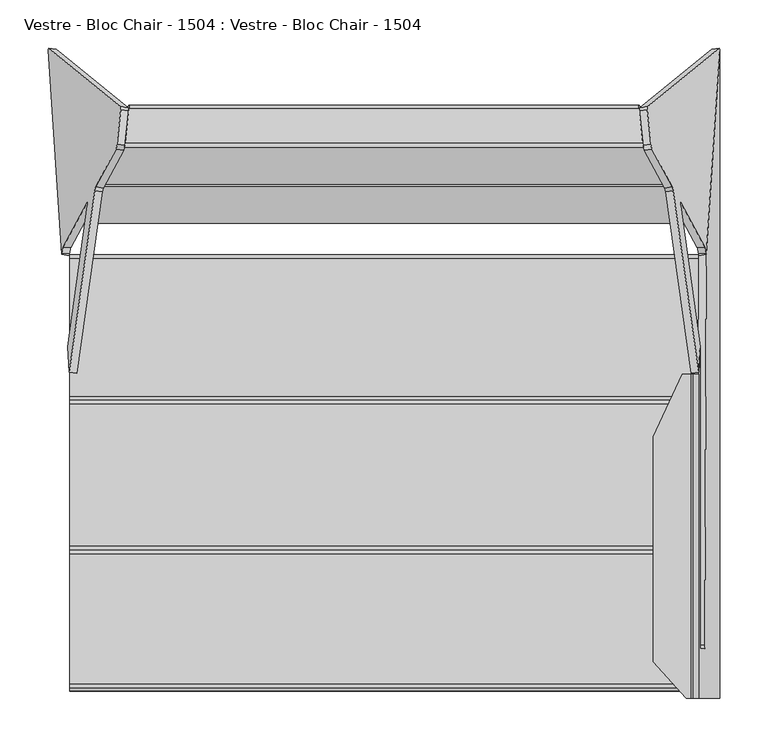
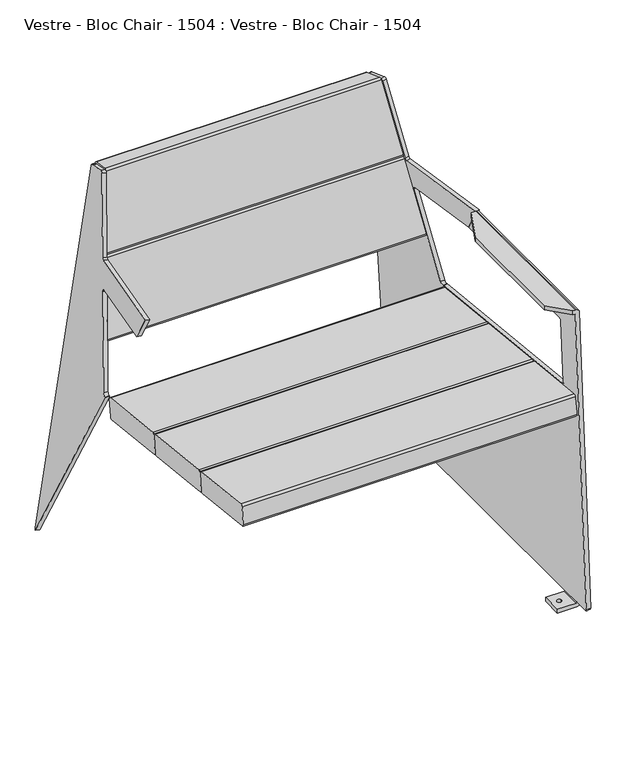
"""IFC4 building model written with IfcOpenShell, lengths in millimetres: furniture geometry, Vestre - Bloc Chair - 1504 : Vestre - Bloc Chair - 1504."""

from ifc_helpers import new_model, si_unit, point, frame, frame_2d, origin, place, context, project, spatial, polyline, circle_curve, ellipse_curve, trimmed, segment, composite_curve, outline, extrude, source, transform, mapped, element, save
from ifc_brep_helpers import plane_surface, cylinder_surface, revolved_surface, advanced_brep


def vestre_bloc_chair_1504_vestre_bloc_chair_1504_da6059d1(model_context):
    return source(origin(), model_context, "Body", "SolidModel", [
        advanced_brep(
        [(-306.9366879, 200.049211, 489.3411004), (-307.9329574, 195.1325032, 486.5435624), (-311.8675706, 159.4543876, 496.3447884), (-311.722039, 156.6568701, 501.2614604), (-291.1697723, 194.8012094, 640.1172239), (-290.1735027, 199.7179173, 642.9147616), (-286.2388907, 235.3960246, 633.1135359), (-286.3844223, 238.193542, 628.1968641), (306.9366879, 200.049211, 489.3411004), (307.9329574, 195.1325032, 486.5435624), (286.3844223, 238.193542, 628.1968641), (286.2388907, 235.3960246, 633.1135359), (290.1735027, 199.7179173, 642.9147616), (291.1697723, 194.8012094, 640.1172239), (311.722039, 156.6568701, 501.2614604), (311.8675706, 159.4543876, 496.3447884)],
        [
            (0, 1, ellipse_curve(frame((-307.3620568, 196.1920983, 490.4006673), z_axis=(-0.9845272064646965, 0.13817840671662396, 0.10776320173452691), x_axis=(0.1752317885853498, 0.7763454442639482, 0.6054598016712524)), 4.0628639, 4.0)),
            (1, 2),
            (2, 3, ellipse_curve(frame((-311.29667, 160.5139827, 500.2018933), z_axis=(-0.9845272064646965, 0.13817840671662396, 0.10776320173452691), x_axis=(0.1752317885853498, 0.7763454442639482, 0.6054598016712524)), 4.0628639, 4.0)),
            (3, 4),
            (4, 5, ellipse_curve(frame((-290.7444033, 198.658322, 639.0576568), z_axis=(-0.9845272064646965, 0.13817840671662396, 0.10776320173452691), x_axis=(0.1752317885853498, 0.7763454442639482, 0.6054598016712524)), 4.0628639, 4.0)),
            (5, 6),
            (6, 7, ellipse_curve(frame((-286.8097913, 234.3364293, 629.2564311), z_axis=(-0.9845272064646965, 0.13817840671662396, 0.10776320173452691), x_axis=(0.1752317885853498, 0.7763454442639482, 0.6054598016712524)), 4.0628639, 4.0)),
            (7, 0),
            (0, 8),
            (8, 9, ellipse_curve(frame((307.3620568, 196.1920983, 490.4006673), z_axis=(-0.9845272064646964, -0.13817840671662365, -0.10776320173452711), x_axis=(0.17523178858535113, -0.7763454442639469, -0.6054598016712536)), 4.0628639, 4.0)),
            (9, 1),
            (7, 10),
            (10, 8),
            (6, 11),
            (11, 10, ellipse_curve(frame((286.8097913, 234.3364293, 629.2564311), z_axis=(-0.9845272064646964, -0.13817840671662365, -0.10776320173452711), x_axis=(0.17523178858535113, -0.7763454442639469, -0.6054598016712536)), 4.0628639, 4.0)),
            (5, 12),
            (12, 11),
            (4, 13),
            (13, 12, ellipse_curve(frame((290.7444033, 198.658322, 639.0576568), z_axis=(-0.9845272064646964, -0.13817840671662365, -0.10776320173452711), x_axis=(0.17523178858535113, -0.7763454442639469, -0.6054598016712536)), 4.0628639, 4.0)),
            (3, 14),
            (14, 13),
            (2, 15),
            (15, 14, ellipse_curve(frame((311.29667, 160.5139827, 500.2018933), z_axis=(-0.9845272064646964, -0.13817840671662365, -0.10776320173452711), x_axis=(0.17523178858535113, -0.7763454442639469, -0.6054598016712536)), 4.0628639, 4.0)),
            (9, 15),
        ],
        [
            plane_surface(frame((-260.8051244, 291.5069546, 793.5292969), z_axis=(-0.9845272064646965, 0.13817840671662396, 0.10776320173452691), x_axis=(-0.10213209083076666, -0.9522059736125505, 0.2878763968079196))),
            cylinder_surface(frame((-316.3937747, 196.1920983, 490.4006673), z_axis=(1.0, 0.0, 0.0), x_axis=(0.0, -1.0, 0.0)), 4.0),
            plane_surface(frame((315.586121, 200.049211, 489.3411004), z_axis=(0.0, 0.9642781573688651, -0.26489174245586883), x_axis=(-1.0, 0.0, 0.0))),
            cylinder_surface(frame((-316.3937747, 234.3364293, 629.2564311), z_axis=(1.0, 0.0, 0.0), x_axis=(0.0, -1.0, 0.0)), 4.0),
            plane_surface(frame((315.586121, 235.3960246, 633.1135359), z_axis=(0.0, 0.264898826550004, 0.9642762113069216), x_axis=(-1.0, 0.0, 0.0))),
            cylinder_surface(frame((-316.3937747, 198.658322, 639.0576568), z_axis=(1.0, 0.0, 0.0), x_axis=(0.0, -1.0, 0.0)), 4.0),
            plane_surface(frame((315.586121, 194.8012094, 640.1172239), z_axis=(0.0, -0.9642781425237719, 0.26489179649604944), x_axis=(-1.0, 0.0, 0.0))),
            cylinder_surface(frame((-316.3937747, 160.5139827, 500.2018933), z_axis=(1.0, 0.0, 0.0), x_axis=(0.0, -1.0, 0.0)), 4.0),
            plane_surface(frame((315.586121, 159.4543876, 496.3447884), z_axis=(0.0, -0.2648987750760449, -0.9642762254474654), x_axis=(-1.0, 0.0, 0.0))),
            plane_surface(frame((307.4464437, 210.0577619, 471.8505833), z_axis=(0.9845272064646966, 0.13817840671662368, 0.10776320173452714), x_axis=(0.10213209083076619, -0.9522059736125503, 0.28787639680792065))),
        ],
        [
            (0, [[1, 2, 3, 4, 5, 6, 7, 8]]),
            (1, [[-1, 9, 10, 11]]),
            (2, [[-8, 12, 13, -9]]),
            (3, [[-7, 14, 15, -12]]),
            (4, [[-6, 16, 17, -14]]),
            (5, [[-5, 18, 19, -16]]),
            (6, [[-4, 20, 21, -18]]),
            (7, [[-3, 22, 23, -20]]),
            (8, [[-2, -11, 24, -22]]),
            (9, [[-10, -13, -15, -17, -19, -21, -23, -24]]),
        ],
    ),
        advanced_brep(
        [(-285.2426333, 240.3126213, 635.9111054), (-286.2389029, 235.3959136, 633.1135675), (-290.1735161, 199.7177976, 642.9147935), (-290.0279845, 196.9202802, 647.8314655), (-269.4757178, 235.0646195, 786.687229), (-268.4794482, 239.9813274, 789.4847667), (-264.5448362, 275.659435, 779.6835409), (-264.6903678, 278.4569523, 774.7668691), (285.2426333, 240.3126213, 635.9111054), (286.2389029, 235.3959136, 633.1135675), (264.6903678, 278.4569523, 774.7668691), (264.5448362, 275.659435, 779.6835409), (268.4794482, 239.9813274, 789.4847667), (269.4757178, 235.0646195, 786.687229), (290.0279845, 196.9202802, 647.8314655), (290.1735161, 199.7177976, 642.9147935)],
        [
            (0, 1, ellipse_curve(frame((-285.6680023, 236.4555087, 636.9706724), z_axis=(-0.9845272064646965, 0.13817840671662396, 0.10776320173452691), x_axis=(0.1752317885853498, 0.7763454442639482, 0.6054598016712524)), 4.0628639, 4.0)),
            (1, 2),
            (2, 3, ellipse_curve(frame((-289.6026155, 200.7773927, 646.7718984), z_axis=(-0.9845272064646965, 0.13817840671662396, 0.10776320173452691), x_axis=(0.1752317885853498, 0.7763454442639482, 0.6054598016712524)), 4.0628639, 4.0)),
            (3, 4),
            (4, 5, ellipse_curve(frame((-269.0503488, 238.921732, 785.6276619), z_axis=(-0.9845272064646965, 0.13817840671662396, 0.10776320173452691), x_axis=(0.1752317885853498, 0.7763454442639482, 0.6054598016712524)), 4.0628639, 4.0)),
            (5, 6),
            (6, 7, ellipse_curve(frame((-265.1157368, 274.5998397, 775.8264361), z_axis=(-0.9845272064646965, 0.13817840671662396, 0.10776320173452691), x_axis=(0.1752317885853498, 0.7763454442639482, 0.6054598016712524)), 4.0628639, 4.0)),
            (7, 0),
            (0, 8),
            (8, 9, ellipse_curve(frame((285.6680023, 236.4555087, 636.9706724), z_axis=(-0.9845272064646964, -0.13817840671662365, -0.10776320173452711), x_axis=(0.17523178858535113, -0.7763454442639469, -0.6054598016712536)), 4.0628639, 4.0)),
            (9, 1),
            (7, 10),
            (10, 8),
            (6, 11),
            (11, 10, ellipse_curve(frame((265.1157368, 274.5998397, 775.8264361), z_axis=(-0.9845272064646964, -0.13817840671662365, -0.10776320173452711), x_axis=(0.17523178858535113, -0.7763454442639469, -0.6054598016712536)), 4.0628639, 4.0)),
            (5, 12),
            (12, 11),
            (4, 13),
            (13, 12, ellipse_curve(frame((269.0503488, 238.921732, 785.6276619), z_axis=(-0.9845272064646964, -0.13817840671662365, -0.10776320173452711), x_axis=(0.17523178858535113, -0.7763454442639469, -0.6054598016712536)), 4.0628639, 4.0)),
            (3, 14),
            (14, 13),
            (2, 15),
            (15, 14, ellipse_curve(frame((289.6026155, 200.7773927, 646.7718984), z_axis=(-0.9845272064646964, -0.13817840671662365, -0.10776320173452711), x_axis=(0.17523178858535113, -0.7763454442639469, -0.6054598016712536)), 4.0628639, 4.0)),
            (9, 15),
        ],
        [
            plane_surface(frame((-260.8051244, 291.5069546, 793.5292969), z_axis=(-0.9845272064646965, 0.13817840671662396, 0.10776320173452691), x_axis=(-0.10213209083076666, -0.9522059736125505, 0.2878763968079196))),
            cylinder_surface(frame((-292.5949679, 236.4555087, 636.9706724), z_axis=(1.0, 0.0, 0.0), x_axis=(0.0, -1.0, 0.0)), 4.0),
            plane_surface(frame((291.5493151, 240.3126213, 635.9111054), z_axis=(0.0, 0.9642781573688652, -0.2648917424558682), x_axis=(-1.0, 0.0, 0.0))),
            cylinder_surface(frame((-292.5949679, 274.5998397, 775.8264361), z_axis=(1.0, 0.0, 0.0), x_axis=(0.0, -1.0, 0.0)), 4.0),
            plane_surface(frame((291.5493151, 275.659435, 779.6835409), z_axis=(0.0, 0.2648988265500007, 0.9642762113069225), x_axis=(-1.0, 0.0, 0.0))),
            cylinder_surface(frame((-292.5949679, 238.921732, 785.6276619), z_axis=(1.0, 0.0, 0.0), x_axis=(0.0, -1.0, 0.0)), 4.0),
            plane_surface(frame((291.5493151, 235.0646195, 786.687229), z_axis=(0.0, -0.9642781425237718, 0.26489179649604994), x_axis=(-1.0, 0.0, 0.0))),
            cylinder_surface(frame((-292.5949679, 200.7773927, 646.7718984), z_axis=(1.0, 0.0, 0.0), x_axis=(0.0, -1.0, 0.0)), 4.0),
            plane_surface(frame((291.5493151, 199.7177976, 642.9147935), z_axis=(0.0, -0.2648987750760463, -0.9642762254474649), x_axis=(-1.0, 0.0, 0.0))),
            plane_surface(frame((307.4464437, 210.0577619, 471.8505833), z_axis=(0.9845272064646966, 0.13817840671662368, 0.10776320173452714), x_axis=(0.10213209083076619, -0.9522059736125503, 0.28787639680792065))),
        ],
        [
            (0, [[1, 2, 3, 4, 5, 6, 7, 8]]),
            (1, [[-1, 9, 10, 11]]),
            (2, [[-8, 12, 13, -9]]),
            (3, [[-7, 14, 15, -12]]),
            (4, [[-6, 16, 17, -14]]),
            (5, [[-5, 18, 19, -16]]),
            (6, [[-4, 20, 21, -18]]),
            (7, [[-3, 22, 23, -20]]),
            (8, [[-2, -11, 24, -22]]),
            (9, [[-10, -13, -15, -17, -19, -21, -23, -24]]),
        ],
    ),
        extrude(outline(composite_curve([segment(polyline([(123.9687357, 403.6916999), (120.1847471, 369.0041334)]), True, "CONTINUOUS"), segment(trimmed(circle_curve(frame_2d((116.2083371, 369.4379111)), 4.0), [point((120.1847471, 369.0041334))], [point((115.7745594, 365.461501))], False, "CARTESIAN"), True, "CONTINUOUS"), segment(polyline([(115.7745594, 365.461501), (-27.3758918, 381.0774616)]), True, "CONTINUOUS"), segment(trimmed(circle_curve(frame_2d((-26.9421142, 385.0538716)), 4.0), [point((-27.3758918, 381.0774616))], [point((-30.9185242, 385.4876492))], False, "CARTESIAN"), True, "CONTINUOUS"), segment(polyline([(-30.9185242, 385.4876492), (-27.1342879, 420.1774866)]), True, "CONTINUOUS"), segment(trimmed(circle_curve(frame_2d((-23.1578779, 419.743709)), 4.0), [point((-27.1342879, 420.1774866))], [point((-22.7240372, 423.7201121))], False, "CARTESIAN"), True, "CONTINUOUS"), segment(polyline([(-22.7240372, 423.7201121), (120.4261663, 408.1018807)]), True, "CONTINUOUS"), segment(trimmed(circle_curve(frame_2d((119.9923256, 404.1254775)), 4.0), [point((120.4261663, 408.1018807))], [point((123.9687357, 403.6916999))], False, "CARTESIAN"), True, "CONTINUOUS")], self_intersect=False)), frame((-326.1528365, 0.0, 0.0), z_axis=(1.0, 0.0, 0.0), x_axis=(0.0, 1.0, 0.0)), (0.0, 0.0, 1.0), 652.8821776),
        extrude(outline(composite_curve([segment(polyline([(-27.1342742, 420.1776127), (-30.9185168, 385.4877171)]), True, "CONTINUOUS"), segment(trimmed(circle_curve(frame_2d((-34.8949269, 385.9214947)), 4.0), [point((-30.9185168, 385.4877171))], [point((-35.3287045, 381.9450847))], False, "CARTESIAN"), True, "CONTINUOUS"), segment(polyline([(-35.3287045, 381.9450847), (-182.9521311, 398.048992)]), True, "CONTINUOUS"), segment(trimmed(circle_curve(frame_2d((-182.5183535, 402.0254021)), 4.0), [point((-182.9521311, 398.048992))], [point((-186.4947636, 402.4591797))], False, "CARTESIAN"), True, "CONTINUOUS"), segment(polyline([(-186.4947636, 402.4591797), (-182.7102654, 437.1514172)]), True, "CONTINUOUS"), segment(trimmed(circle_curve(frame_2d((-178.7338554, 436.7176396)), 4.0), [point((-182.7102654, 437.1514172))], [point((-178.3000147, 440.6940428))], False, "CARTESIAN"), True, "CONTINUOUS"), segment(polyline([(-178.3000147, 440.6940428), (-30.6768435, 424.5877936)]), True, "CONTINUOUS"), segment(trimmed(circle_curve(frame_2d((-31.1106842, 420.6113904)), 4.0), [point((-30.6768435, 424.5877936))], [point((-27.1342742, 420.1776127))], False, "CARTESIAN"), True, "CONTINUOUS")], self_intersect=False)), frame((-326.1528365, 0.0, 0.0), z_axis=(1.0, 0.0, 0.0), x_axis=(0.0, 1.0, 0.0)), (0.0, 0.0, 1.0), 652.8821776),
        extrude(outline(composite_curve([segment(polyline([(-182.7102517, 437.1515434), (-186.4947521, 402.4592847)]), True, "CONTINUOUS"), segment(trimmed(circle_curve(frame_2d((-190.4711622, 402.8930624)), 4.0), [point((-186.4947521, 402.4592847))], [point((-190.9049398, 398.9166523))], False, "CARTESIAN"), True, "CONTINUOUS"), segment(polyline([(-190.9049398, 398.9166523), (-325.6066275, 413.6109563)]), True, "CONTINUOUS"), segment(trimmed(circle_curve(frame_2d((-325.1728499, 417.5873663)), 4.0), [point((-325.6066275, 413.6109563))], [point((-329.1492599, 418.0211439))], False, "CARTESIAN"), True, "CONTINUOUS"), segment(polyline([(-329.1492599, 418.0211439), (-325.3645264, 452.7155395)]), True, "CONTINUOUS"), segment(trimmed(circle_curve(frame_2d((-321.3881163, 452.2817619)), 4.0), [point((-325.3645264, 452.7155395))], [point((-320.9542756, 456.2581651))], False, "CARTESIAN"), True, "CONTINUOUS"), segment(polyline([(-320.9542756, 456.2581651), (-186.252821, 441.5617242)]), True, "CONTINUOUS"), segment(trimmed(circle_curve(frame_2d((-186.6866617, 437.585321)), 4.0), [point((-186.252821, 441.5617242))], [point((-182.7102517, 437.1515434))], False, "CARTESIAN"), True, "CONTINUOUS")], self_intersect=False)), frame((-326.1528365, 0.0, 0.0), z_axis=(1.0, 0.0, 0.0), x_axis=(0.0, 1.0, 0.0)), (0.0, 0.0, 1.0), 652.8821776),
        advanced_brep(
        [(347.6364645, 337.9713039, 14.8944279), (272.9792097, 277.1577, 774.9426086), (272.9955061, 274.267721, 778.499374), (276.8937446, 238.2446052, 789.0752934), (277.8745849, 233.3654515, 786.3705641), (299.0535323, 194.0587936, 643.2798026), (299.8948311, 190.2995977, 640.4138721), (326.3309097, 1.98384, 640.3594265), (328.0725984, 28.470929, 590.4844823), (307.5522274, 174.5518534, 590.6481205), (307.5640468, 178.4134646, 585.5886209), (332.9768378, 131.2504543, 413.8911008), (334.3492078, 124.8590494, 409.5484177), (334.3898757, 124.5422214, 409.5831251), (348.3011371, 336.1005897, 11.2206695), (339.7602469, 336.8658767, 14.0323223), (340.4249195, 334.9951625, 10.3585639), (326.4772027, 122.8823921, 409.7649535), (326.2234801, 124.8590494, 409.5484177), (324.8511101, 131.2504543, 413.8911008), (299.4383191, 178.4134646, 585.5886209), (299.4264997, 174.5518534, 590.6481205), (320.1663362, 26.9085927, 590.4827322), (318.454692, 0.8784127, 639.4973209), (292.0186134, 189.1941704, 639.5517666), (291.1773147, 192.9533663, 642.417697), (269.9983672, 232.2600242, 785.5084585), (269.0175269, 237.139178, 788.2131877), (265.1192885, 273.1622937, 777.6372684), (265.1029921, 276.0522727, 774.080503)],
        [
            (0, 1),
            (1, 2, circle_curve(frame((273.5617566, 273.2088149, 774.683869), z_axis=(0.9845272064646956, 0.13817840671662623, 0.10776320173453154), x_axis=(0.10809843818608318, 0.005098251508800461, -0.9941271224009949)), 4.0)),
            (2, 3),
            (3, 4, circle_curve(frame((277.459995, 237.1856992, 785.2597883), z_axis=(0.9845272064646956, 0.13817840671662623, 0.10776320173453154), x_axis=(0.10809843818608318, 0.005098251508800461, -0.9941271224009949)), 4.0)),
            (4, 5),
            (5, 6, circle_curve(frame((299.4681222, 190.2385459, 644.3905783), z_axis=(-0.9845272064646956, -0.13817840671662623, -0.10776320173453154), x_axis=(0.10809843818608318, 0.005098251508800461, -0.9941271224009949)), 4.0)),
            (6, 7),
            (7, 8),
            (8, 9),
            (9, 10, ellipse_curve(frame((307.9894254, 174.5563342, 586.648123), z_axis=(-0.9845272064646957, -0.13817840671662623, -0.10776320173453156), x_axis=(-0.17523178858535401, 0.7763454442639399, 0.6054598016712619)), 4.0628639, 4.0)),
            (10, 11),
            (11, 12, ellipse_curve(frame((333.6101829, 125.5075832, 415.4685906), z_axis=(-0.9845272064646957, -0.13817840671662623, -0.10776320173453156), x_axis=(-0.17523178858535401, 0.7763454442639399, 0.6054598016712619)), 6.049187, 5.9555892)),
            (12, 13),
            (13, 14),
            (14, 0, circle_curve(frame((348.2186072, 334.025159, 14.6358678), z_axis=(0.9845272064646956, 0.13817840671662623, 0.10776320173453154), x_axis=(0.10809843818608318, 0.005098251508800461, -0.9941271224009949)), 3.9972244)),
            (15, 16, circle_curve(frame((340.3423895, 332.9197317, 13.7737622), z_axis=(-0.9845272064646956, -0.13817840671662623, -0.10776320173453154), x_axis=(0.10809843818608318, 0.005098251508800461, -0.9941271224009949)), 3.9972244)),
            (16, 17),
            (17, 18),
            (18, 19, ellipse_curve(frame((325.4844552, 125.5075832, 415.4685906), z_axis=(0.9845272064646957, 0.13817840671662623, 0.10776320173453156), x_axis=(-0.17523178858535401, 0.7763454442639399, 0.6054598016712619)), 6.049187, 5.9555892)),
            (19, 20),
            (20, 21, ellipse_curve(frame((299.8636977, 174.5563342, 586.648123), z_axis=(0.9845272064646957, 0.13817840671662623, 0.10776320173453156), x_axis=(-0.17523178858535401, 0.7763454442639399, 0.6054598016712619)), 4.0628639, 4.0)),
            (21, 22),
            (22, 23),
            (23, 24),
            (24, 25, circle_curve(frame((291.5919045, 189.1331186, 643.5284727), z_axis=(0.9845272064646956, 0.13817840671662623, 0.10776320173453154), x_axis=(0.10809843818608318, 0.005098251508800461, -0.9941271224009949)), 4.0)),
            (25, 26),
            (26, 27, circle_curve(frame((269.5837774, 236.0802719, 784.3976827), z_axis=(-0.9845272064646956, -0.13817840671662623, -0.10776320173453154), x_axis=(0.10809843818608318, 0.005098251508800461, -0.9941271224009949)), 4.0)),
            (27, 28),
            (28, 29, circle_curve(frame((265.6855389, 272.1033877, 773.8217633), z_axis=(-0.9845272064646956, -0.13817840671662623, -0.10776320173453154), x_axis=(0.10809843818608318, 0.005098251508800461, -0.9941271224009949)), 4.0)),
            (29, 15),
            (1, 29),
            (28, 2),
            (0, 15),
            (14, 16),
            (13, 17),
            (7, 23),
            (22, 8),
            (6, 24),
            (5, 25),
            (4, 26),
            (3, 27),
            (9, 21),
            (20, 10),
            (12, 18),
            (11, 19),
        ],
        [
            plane_surface(frame((272.9792097, 277.1577, 774.9426086), z_axis=(0.9845272064646957, 0.13817840671662623, 0.10776320173453156), x_axis=(-0.09744806620720972, -0.07937832858943743, 0.9920700355029491))),
            plane_surface(frame((265.1029921, 276.0522727, 774.080503), z_axis=(-0.9845272064646957, -0.13817840671662623, -0.10776320173453156), x_axis=(0.09744806620720972, 0.07937832858943743, -0.9920700355029491))),
            cylinder_surface(frame((265.6855389, 272.1033877, 773.8217633), z_axis=(0.9845272064646956, 0.13817840671662623, 0.10776320173453154), x_axis=(0.10809843818608318, 0.005098251508800461, -0.9941271224009949)), 4.0),
            plane_surface(frame((347.6364645, 337.9713039, 14.8944279), z_axis=(-0.14563671969424144, 0.987221256288377, 0.06468490557386658), x_axis=(-0.9845272064646947, -0.13817840671662956, -0.10776320173453559))),
            cylinder_surface(frame((340.3423895, 332.9197317, 13.7737622), z_axis=(0.9845272064646956, 0.13817840671662623, 0.10776320173453154), x_axis=(0.10809843818608318, 0.005098251508800461, -0.9941271224009949)), 3.9972244),
            plane_surface(frame((326.3309097, 1.98384, 640.3594265), z_axis=(0.17249891043920024, -0.8724250405319154, -0.4572949535586139), x_axis=(-0.9845272064646953, -0.13817840671662543, -0.10776320173453566))),
            plane_surface(frame((299.8948311, 190.2995977, 640.4138722), z_axis=(-0.10667723092490278, -0.015262962519211873, 0.9941765488972935), x_axis=(-0.9845272064646958, -0.13817840671662185, -0.10776320173453617))),
            revolved_surface(polyline([(292.0242982331016, 189.15351160327833, 639.551964208246), (299.9005159560837, 190.2589388670133, 640.4140698299226)]), (291.5919045, 189.1331186, 643.5284727), (-0.9845272064646956, -0.13817840671662623, -0.10776320173453154)),
            plane_surface(frame((277.8745849, 233.3654515, 786.3705641), z_axis=(0.10364746347884331, -0.9550619256550322, 0.2776939348968644), x_axis=(-0.9845272064646952, -0.13817840671662598, -0.1077632017345361))),
            cylinder_surface(frame((269.5837774, 236.0802719, 784.3976827), z_axis=(0.9845272064646956, 0.13817840671662623, 0.10776320173453154), x_axis=(0.10809843818608318, 0.005098251508800461, -0.9941271224009949)), 4.0),
            plane_surface(frame((272.9955061, 274.267721, 778.499374), z_axis=(-0.14156261468824735, 0.26472650457534297, 0.9538762518785903), x_axis=(-0.9845272064646952, -0.13817840671662598, -0.1077632017345361))),
            revolved_surface(polyline([(299.1517547920241, 170.5563342, 586.648123), (308.7013683079759, 170.5563342, 586.648123)]), (335.7847172, 174.5563342, 586.648123), (-1.0, 0.0, 0.0)),
            plane_surface(frame((293.9256068, -280.671368, 590.1381847), z_axis=(0.0, 0.0011201877232388624, -0.9999993725895355), x_axis=(1.0, 0.0, 0.0))),
            plane_surface(frame((293.9256068, 124.8590494, 409.5484177), z_axis=(0.0, 0.10889498268372896, 0.994053259511939), x_axis=(1.0, 0.0, 0.0))),
            revolved_surface(polyline([(324.42444534250274, 119.551994, 415.4685906), (334.67019275749726, 119.551994, 415.4685906)]), (335.7847172, 125.5075832, 415.4685906), (-1.0, 0.0, 0.0)),
            plane_surface(frame((293.9256068, 178.4134646, 585.5886209), z_axis=(0.0, -0.9642826121585462, 0.2648755252730816), x_axis=(1.0, 0.0, 0.0))),
        ],
        [
            (0, [[1, 2, 3, 4, 5, 6, 7, 8, 9, 10, 11, 12, 13, 14, 15]]),
            (1, [[16, 17, 18, 19, 20, 21, 22, 23, 24, 25, 26, 27, 28, 29, 30]]),
            (2, [[-2, 31, -29, 32]]),
            (3, [[-1, 33, -30, -31]]),
            (4, [[-15, 34, -16, -33]]),
            (5, [[-34, -14, 35, -17]]),
            (5, [[36, -23, 37, -8]]),
            (6, [[-7, 38, -24, -36]]),
            (7, [[-6, 39, -25, -38]]),
            (8, [[-5, 40, -26, -39]]),
            (9, [[-4, 41, -27, -40]]),
            (10, [[-3, -32, -28, -41]]),
            (11, [[42, -21, 43, -10]]),
            (12, [[-42, -9, -37, -22]]),
            (13, [[44, -18, -35, -13]]),
            (14, [[-44, -12, 45, -19]]),
            (15, [[-45, -11, -43, -20]]),
        ],
    ),
        advanced_brep(
        [(339.2271593, -303.3438949, 8.0), (302.5834716, -303.3438949, 8.0), (302.5834716, -303.3438949, 0.0), (340.2871278, -303.3438949, 0.0), (348.2247269, -303.3438949, 8.2703475), (348.2247269, -303.3438949, 10.2731042), (340.2296003, -303.3438949, 9.9939083), (340.2618144, -303.3438949, 9.0714168), (339.2271593, -263.3438949, 8.0), (340.2618144, -263.3438949, 9.0714168), (340.2296003, -263.3438949, 9.9939083), (348.2247269, -263.3438949, 10.2731042), (348.2247269, -263.3438949, 8.2703475), (340.2871278, -263.3438949, 0.0), (302.5834716, -263.3438949, 0.0), (302.5834716, -263.3438949, 8.0), (340.2296003, -332.3224978, 9.9939083), (340.0900023, -336.3224978, 13.9914716), (318.5509749, -336.3224978, 630.7885173), (318.5509749, 0.0, 630.7885173), (318.5943967, 0.0, 629.5450788), (318.5943967, 7.626776, 629.5450788), (319.9584267, 28.3708474, 590.4843702), (319.9705158, -280.671368, 590.1381847), (320.1101987, -284.6668873, 586.1381898), (324.5850129, -284.6669706, 457.9962761), (324.7238654, -281.1025506, 454.0200604), (326.2752325, 124.4363813, 409.5947195), (340.1918549, 336.0793859, 11.0747965), (340.2296003, 333.3438949, 9.9939083), (340.2296003, 303.3438949, 9.9939083), (340.2618144, 303.3438949, 9.0714168), (340.2618144, 263.3438949, 9.0714168), (340.2296003, 263.3438949, 9.9939083), (326.1653282, -317.6657271, 412.7419672), (326.3736201, -318.3161079, 406.7772656), (327.9624296, 98.759424, 361.279715), (327.7541377, 99.4098048, 367.2444166), (313.0057068, -283.459021, 0.0), (321.9161822, -283.459021, 0.0), (321.9161822, -283.459021, 8.0), (313.0057068, -283.459021, 8.0), (339.2271593, 303.3438949, 8.0), (348.2247269, 303.3438949, 10.2731042), (348.2247269, 303.3438949, 8.2703475), (340.2871278, 303.3438949, 0.0), (302.5834716, 303.3438949, 0.0), (302.5834716, 303.3438949, 8.0), (339.2271593, 263.3438949, 8.0), (302.5834716, 263.3438949, 8.0), (302.5834716, 263.3438949, 0.0), (340.2871278, 263.3438949, 0.0), (348.2247269, 263.3438949, 8.2703475), (348.2247269, 263.3438949, 10.2731042), (321.9161822, 283.459021, 0.0), (313.0057068, 283.459021, 0.0), (313.0057068, 283.459021, 8.0), (321.9161822, 283.459021, 8.0), (237.6056994, -317.7914247, 412.742426), (237.6065921, -318.4420999, 406.7777254), (237.0143821, 98.6303364, 361.2801861), (237.0134895, 99.2810115, 367.2448867), (348.0851289, -336.3224978, 14.2706676), (348.2247269, -332.3224978, 10.2731042), (348.2247269, 333.3438949, 10.2731042), (348.1869815, 336.0793859, 11.3539925), (334.2807111, 124.5938136, 409.5774734), (332.7287418, -281.1025506, 454.0200604), (332.5898892, -284.6669706, 457.9962761), (328.115075, -284.6668873, 586.1381898), (327.9753921, -280.671368, 590.1381847), (327.9632973, 28.5190326, 590.4845362), (326.5895233, 7.626776, 629.8242748), (326.5895233, 0.0, 629.8242748), (326.4226034, 0.0, 634.6042367), (326.4226034, -336.3224978, 634.6042367), (320.4626968, -336.3224978, 640.3596516), (318.2167435, -336.3224978, 640.3596516), (313.3677451, -336.3224978, 640.3596516), (313.3677451, -336.3224978, 632.2382321), (317.0497513, -336.3224978, 632.2382321), (317.0497513, 0.0, 632.2382321), (309.4108927, 0.0, 632.2382321), (309.4108927, 0.0, 640.3596516), (318.2167435, 0.0, 640.3596516), (320.4626968, 0.0, 640.3596516), (279.4135288, -298.6125202, 632.2382321), (279.4135288, -64.9029098, 632.2382321), (279.4135288, -298.6125202, 640.3596516), (279.4135288, -64.9029098, 640.3596516)],
        [
            (0, 1),
            (1, 2),
            (2, 3),
            (3, 4, circle_curve(frame((339.9474049, -303.3438949, 8.2703475), z_axis=(0.0, -1.0, 0.0), x_axis=(-1.0, 0.0, 0.0)), 8.277322)),
            (4, 5),
            (5, 6),
            (6, 7),
            (7, 0, circle_curve(frame((339.2271593, -303.3438949, 9.0352858), z_axis=(0.0, 1.0, 0.0), x_axis=(-1.0, 0.0, 0.0)), 1.0352858)),
            (8, 9, circle_curve(frame((339.2271593, -263.3438949, 9.0352858), z_axis=(0.0, -1.0, 0.0), x_axis=(-1.0, 0.0, 0.0)), 1.0352858)),
            (9, 10),
            (10, 11),
            (11, 12),
            (12, 13, circle_curve(frame((339.9474049, -263.3438949, 8.2703475), z_axis=(0.0, 1.0, 0.0), x_axis=(-1.0, 0.0, 0.0)), 8.277322)),
            (13, 14),
            (14, 15),
            (15, 8),
            (7, 9),
            (8, 0),
            (6, 16),
            (16, 17, circle_curve(frame((340.0900023, -332.3224978, 13.9914716), z_axis=(-0.9993908270190959, 0.0, -0.0348994967025008), x_axis=(0.0348994967025008, 0.0, -0.9993908270190959)), 4.0)),
            (17, 18),
            (18, 19),
            (19, 20),
            (20, 21),
            (21, 22),
            (22, 23),
            (23, 24, ellipse_curve(frame((320.1101987, -280.6668873, 586.1381872), z_axis=(0.9993908270190954, 0.0, 0.03489949670251134), x_axis=(-0.03489949670250723, 0.0, 0.9993908270190957)), 4.0024382, 4.0)),
            (24, 25),
            (25, 26, ellipse_curve(frame((324.585013, -280.6669706, 457.9962735), z_axis=(0.9993908270190954, 0.0, 0.03489949670251134), x_axis=(-0.03489949670250723, 0.0, 0.9993908270190957)), 4.0024382, 4.0)),
            (26, 27),
            (27, 28),
            (28, 29, circle_curve(frame((340.0899978, 333.3438949, 13.9916002), z_axis=(-0.9993908270190959, 0.0, -0.0348994967025008), x_axis=(0.0348994967025008, 0.0, -0.9993908270190959)), 4.0001287)),
            (29, 30),
            (30, 31),
            (31, 32),
            (32, 33),
            (33, 10),
            (34, 35),
            (35, 36),
            (36, 37),
            (37, 34),
            (2, 14),
            (13, 3),
            (38, 39, circle_curve(frame((317.4609445, -283.459021, 0.0), z_axis=(0.0, 0.0, 1.0), x_axis=(-1.0, 0.0, 0.0)), 4.4552377)),
            (39, 38, circle_curve(frame((317.4609445, -283.459021, 0.0), z_axis=(0.0, 0.0, 1.0), x_axis=(-1.0, 0.0, 0.0)), 4.4552377)),
            (1, 15),
            (40, 41, circle_curve(frame((317.4609445, -283.459021, 8.0), z_axis=(0.0, 0.0, -1.0), x_axis=(-1.0, 0.0, 0.0)), 4.4552377)),
            (41, 40, circle_curve(frame((317.4609445, -283.459021, 8.0), z_axis=(0.0, 0.0, -1.0), x_axis=(-1.0, 0.0, 0.0)), 4.4552377)),
            (4, 12),
            (11, 5),
            (40, 39),
            (38, 41),
            (42, 31, circle_curve(frame((339.2271593, 303.3438949, 9.0352858), z_axis=(0.0, -1.0, 0.0), x_axis=(-1.0, 0.0, 0.0)), 1.0352858)),
            (30, 43),
            (43, 44),
            (44, 45, circle_curve(frame((339.9474049, 303.3438949, 8.2703475), z_axis=(0.0, 1.0, 0.0), x_axis=(-1.0, 0.0, 0.0)), 8.277322)),
            (45, 46),
            (46, 47),
            (47, 42),
            (48, 49),
            (49, 50),
            (50, 51),
            (51, 52, circle_curve(frame((339.9474049, 263.3438949, 8.2703475), z_axis=(0.0, -1.0, 0.0), x_axis=(-1.0, 0.0, 0.0)), 8.277322)),
            (52, 53),
            (53, 33),
            (32, 48, circle_curve(frame((339.2271593, 263.3438949, 9.0352858), z_axis=(0.0, 1.0, 0.0), x_axis=(-1.0, 0.0, 0.0)), 1.0352858)),
            (42, 48),
            (45, 51),
            (50, 46),
            (54, 55, circle_curve(frame((317.4609445, 283.459021, 0.0), z_axis=(0.0, 0.0, 1.0), x_axis=(-1.0, 0.0, 0.0)), 4.4552377)),
            (55, 54, circle_curve(frame((317.4609445, 283.459021, 0.0), z_axis=(0.0, 0.0, 1.0), x_axis=(-1.0, 0.0, 0.0)), 4.4552377)),
            (49, 47),
            (56, 57, circle_curve(frame((317.4609445, 283.459021, 8.0), z_axis=(0.0, 0.0, -1.0), x_axis=(-1.0, 0.0, 0.0)), 4.4552377)),
            (57, 56, circle_curve(frame((317.4609445, 283.459021, 8.0), z_axis=(0.0, 0.0, -1.0), x_axis=(-1.0, 0.0, 0.0)), 4.4552377)),
            (43, 53),
            (52, 44),
            (56, 55),
            (54, 57),
            (58, 59),
            (59, 35),
            (34, 58),
            (60, 61),
            (61, 37),
            (36, 60),
            (58, 61),
            (60, 59),
            (62, 63, circle_curve(frame((348.0851289, -332.3224978, 14.2706676), z_axis=(0.9993908270190959, 0.0, 0.0348994967025008), x_axis=(0.0348994967025008, 0.0, -0.9993908270190959)), 4.0)),
            (63, 5),
            (11, 53),
            (43, 64),
            (64, 65, circle_curve(frame((348.0851244, 333.3438949, 14.2707962), z_axis=(0.9993908270190959, 0.0, 0.0348994967025008), x_axis=(0.0348994967025008, 0.0, -0.9993908270190959)), 4.0001287)),
            (65, 66),
            (66, 67),
            (67, 68, ellipse_curve(frame((332.5898893, -280.6669706, 457.9962735), z_axis=(-0.9993908270190958, 0.0, -0.0348994967025008), x_axis=(-0.03489949670249867, 0.0, 0.9993908270190959)), 4.0024382, 4.0)),
            (68, 69),
            (69, 70, ellipse_curve(frame((328.1150751, -280.6668873, 586.1381872), z_axis=(-0.9993908270190958, 0.0, -0.0348994967025008), x_axis=(-0.03489949670249867, 0.0, 0.9993908270190959)), 4.0024382, 4.0)),
            (70, 71),
            (71, 72),
            (72, 73),
            (73, 74),
            (74, 75),
            (75, 62),
            (65, 28),
            (27, 66),
            (21, 72),
            (71, 22),
            (64, 29),
            (63, 16),
            (62, 17),
            (75, 76, circle_curve(frame((320.4626968, -336.3224978, 634.3961122), z_axis=(0.0, -1.0, 0.0), x_axis=(-1.0, 0.0, 0.0)), 5.9635394)),
            (76, 77),
            (77, 78),
            (78, 79),
            (79, 80),
            (80, 18, circle_curve(frame((317.0497513, -336.3224978, 630.7360934), z_axis=(0.0, 1.0, 0.0), x_axis=(-1.0, 0.0, 0.0)), 1.5021387)),
            (20, 73),
            (70, 23),
            (69, 24),
            (68, 25),
            (67, 26),
            (19, 81, circle_curve(frame((317.0497513, 0.0, 630.7360934), z_axis=(0.0, -1.0, 0.0), x_axis=(-1.0, 0.0, 0.0)), 1.5021387)),
            (81, 82),
            (82, 83),
            (83, 84),
            (84, 85),
            (85, 74, circle_curve(frame((320.4626968, 0.0, 634.3961122), z_axis=(0.0, 1.0, 0.0), x_axis=(-1.0, 0.0, 0.0)), 5.9635394)),
            (81, 80),
            (79, 86),
            (86, 87),
            (87, 82),
            (86, 88),
            (88, 89),
            (89, 87),
            (77, 84),
            (83, 89),
            (88, 78),
            (76, 85),
        ],
        [
            plane_surface(frame((302.5834716, -303.3438949, 8.0), z_axis=(0.0, -1.0, 0.0), x_axis=(-1.0, 0.0, 0.0))),
            plane_surface(frame((302.5834716, -263.3438949, 8.0), z_axis=(0.0, 1.0, 0.0), x_axis=(1.0, 0.0, 0.0))),
            revolved_surface(polyline([(338.1918735, -263.3438949, 9.0352858), (338.1918735, -303.3438949, 9.0352858)]), (339.2271593, -263.3438949, 9.0352858), (0.0, 1.0, 0.0)),
            plane_surface(frame((340.2296003, -303.3438949, 9.9939083), z_axis=(-0.9993908270190954, 0.0, -0.03489949670251134), x_axis=(0.0, 1.0, 0.0))),
            plane_surface(frame((302.5834716, -303.3438949, 0.0), z_axis=(0.0, 0.0, -1.0), x_axis=(0.0, 1.0, 0.0))),
            plane_surface(frame((302.5834716, -303.3438949, 8.0), z_axis=(-1.0, 0.0, 0.0), x_axis=(0.0, 1.0, 0.0))),
            plane_surface(frame((339.2271593, -303.3438949, 8.0), z_axis=(0.0, 0.0, 1.0), x_axis=(0.0, 1.0, 0.0))),
            plane_surface(frame((348.2247269, -303.3438949, 8.2703475), z_axis=(1.0, 0.0, 0.0), x_axis=(0.0, 1.0, 0.0))),
            cylinder_surface(frame((339.9474049, -263.3438949, 8.2703475), z_axis=(0.0, -1.0, 0.0), x_axis=(-1.0, 0.0, 0.0)), 8.277322),
            revolved_surface(polyline([(313.0057068, -283.459021, 8.0), (313.0057068, -283.459021, 0.0)]), (317.4609445, -283.459021, 0.0), (0.0, 0.0, 1.0)),
            plane_surface(frame((338.1918735, 303.3438949, 9.0352858), z_axis=(0.0, 1.0, 0.0), x_axis=(0.0, 0.0, -1.0))),
            plane_surface(frame((338.1918735, 263.3438949, 9.0352858), z_axis=(0.0, -1.0, 0.0), x_axis=(0.0, 0.0, 1.0))),
            revolved_surface(polyline([(338.1918735, 263.3438949, 9.0352858), (338.1918735, 303.3438949, 9.0352858)]), (339.2271593, 263.3438949, 9.0352858), (0.0, -1.0, 0.0)),
            plane_surface(frame((340.2871278, 303.3438949, 0.0), z_axis=(0.0, 0.0, -1.0), x_axis=(0.0, -1.0, 0.0))),
            plane_surface(frame((302.5834716, 303.3438949, 0.0), z_axis=(-1.0, 0.0, 0.0), x_axis=(0.0, -1.0, 0.0))),
            plane_surface(frame((302.5834716, 303.3438949, 8.0), z_axis=(0.0, 0.0, 1.0), x_axis=(0.0, -1.0, 0.0))),
            plane_surface(frame((348.2247269, 303.3438949, 10.2731042), z_axis=(1.0, 0.0, 0.0), x_axis=(0.0, -1.0, 0.0))),
            cylinder_surface(frame((339.9474049, 263.3438949, 8.2703475), z_axis=(0.0, 1.0, 0.0), x_axis=(-1.0, 0.0, 0.0)), 8.277322),
            revolved_surface(polyline([(313.0057068, 283.459021, 8.0), (313.0057068, 283.459021, 0.0)]), (317.4609445, 283.459021, 0.0), (0.0, 0.0, 1.0)),
            plane_surface(frame((329.6214499, -318.311498, 406.7772488), z_axis=(0.00141154568391465, -0.9941015130831308, 0.10844440614717041), x_axis=(0.9999989927024072, 0.0014193545495698905, -5.180135695188924e-06))),
            plane_surface(frame((329.0292399, 98.7609382, 361.2797094), z_axis=(-0.00141154568391465, 0.9941015130831308, -0.10844440614717041), x_axis=(-0.9999989927024072, -0.0014193545495698905, 5.180135695188924e-06))),
            plane_surface(frame((237.6056994, -317.7914247, 412.742426), z_axis=(-0.9999989927024071, -0.0014193545495882975, 5.180135527314063e-06), x_axis=(-0.0014115456839147431, 0.9941015130831308, -0.1084444061471704))),
            plane_surface(frame((329.6205572, -317.6608229, 412.7419493), z_axis=(-0.0001487714805061247, 0.1084443042233793, 0.994102515210858), x_axis=(-0.0014115456839145818, 0.9941015130831308, -0.1084444061471704))),
            plane_surface(frame((237.6065921, -318.4420999, 406.7777254), z_axis=(0.00014877148050782804, -0.1084443042233793, -0.994102515210858), x_axis=(-0.0014115456839145818, 0.9941015130831308, -0.1084444061471704))),
            plane_surface(frame((348.0851289, -336.3224978, 14.2706676), z_axis=(0.9993908270190958, 0.0, 0.0348994967025008), x_axis=(0.0348994967025008, 0.0, -0.9993908270190958))),
            plane_surface(frame((348.1869815, 336.0793859, 11.3539925), z_axis=(-0.016361236819828987, 0.8832989769010678, 0.46852452159439045), x_axis=(-0.9993908270190958, 0.0, -0.034899496702500754))),
            cylinder_surface(frame((340.0899978, 333.3438949, 13.9916002), z_axis=(0.9993908270190959, 0.0, 0.0348994967025008), x_axis=(0.0348994967025008, 0.0, -0.9993908270190959)), 4.0001287),
            plane_surface(frame((348.2247269, -332.3224978, 10.2731042), z_axis=(0.03489949670250128, 0.0, -0.9993908270190958), x_axis=(-0.9993908270190958, 0.0, -0.03489949670250128))),
            cylinder_surface(frame((340.0900023, -332.3224978, 13.9914716), z_axis=(0.9993908270190959, 0.0, 0.0348994967025008), x_axis=(0.0348994967025008, 0.0, -0.9993908270190959)), 4.0),
            plane_surface(frame((326.5895233, -336.3224978, 629.8242748), z_axis=(0.0, -1.0, 0.0), x_axis=(-0.9993908270190955, 0.0, -0.034899496702506035))),
            plane_surface(frame((326.5895233, 7.626776, 629.8242748), z_axis=(-0.034899496702506035, 0.0, 0.9993908270190955), x_axis=(-0.9993908270190955, 0.0, -0.034899496702506035))),
            plane_surface(frame((293.9256068, -280.671368, 590.1381847), z_axis=(0.0, 0.0011201877232388624, -0.9999993725895355), x_axis=(1.0, 0.0, 0.0))),
            revolved_surface(polyline([(319.9705156212371, -284.6668873, 586.1381872), (328.25475817876287, -284.6668873, 586.1381872)]), (335.7847172, -280.6668873, 586.1381872), (-1.0, 0.0, 0.0)),
            plane_surface(frame((293.9256068, -284.6669706, 457.9962761), z_axis=(0.0, 0.9999999999997885, -6.504329964730784e-07), x_axis=(1.0, 0.0, 0.0))),
            revolved_surface(polyline([(324.4453299212371, -284.6669706, 457.9962735), (332.72957237876284, -284.6669706, 457.9962735)]), (335.7847172, -280.6669706, 457.9962735), (-1.0, 0.0, 0.0)),
            plane_surface(frame((293.9256068, 124.8590494, 409.5484177), z_axis=(0.0, 0.10889498268372896, 0.994053259511939), x_axis=(1.0, 0.0, 0.0))),
            plane_surface(frame((314.4991574, 0.0, 634.3961122), z_axis=(0.0, 1.0, 0.0), x_axis=(0.0, 0.0, 1.0))),
            plane_surface(frame((279.4135288, -336.3224978, 632.2382321), z_axis=(0.0, 0.0, -1.0), x_axis=(0.0, 1.0, 0.0))),
            plane_surface(frame((279.4135288, -336.3224978, 640.3596516), z_axis=(-1.0, 0.0, 0.0), x_axis=(0.0, 1.0, 0.0))),
            plane_surface(frame((318.2167435, -336.3224978, 640.3596516), z_axis=(0.0, 0.0, 1.0), x_axis=(0.0, 1.0, 0.0))),
            plane_surface(frame((320.4626968, -336.3224978, 640.3596516), z_axis=(0.0, 0.0, 1.0), x_axis=(0.0, 1.0, 0.0))),
            cylinder_surface(frame((320.4626968, 0.0, 634.3961122), z_axis=(0.0, -1.0, 0.0), x_axis=(-1.0, 0.0, 0.0)), 5.9635394),
            revolved_surface(polyline([(315.54761260000004, 0.0, 630.7360934), (315.54761260000004, -336.3224978, 630.7360934)]), (317.0497513, 0.0, 630.7360934), (0.0, 1.0, 0.0)),
            plane_surface(frame((309.4108927, 0.0, 616.5713791), z_axis=(-0.9077348201474655, 0.4195443913245037, 0.0), x_axis=(0.0, 0.0, 1.0))),
            plane_surface(frame((279.4083539, -298.6067729, 616.5713791), z_axis=(-0.7431448254773959, -0.6691306063588565, 0.0), x_axis=(0.0, 0.0, 1.0))),
        ],
        [
            (0, [[1, 2, 3, 4, 5, 6, 7, 8]]),
            (1, [[9, 10, 11, 12, 13, 14, 15, 16]]),
            (2, [[-8, 17, -9, 18]]),
            (3, [[-7, 19, 20, 21, 22, 23, 24, 25, 26, 27, 28, 29, 30, 31, 32, 33, 34, 35, 36, 37, -10, -17], [38, 39, 40, 41]]),
            (4, [[-3, 42, -14, 43], [44, 45]]),
            (5, [[-2, 46, -15, -42]]),
            (6, [[-1, -18, -16, -46], [47, 48]]),
            (7, [[-5, 49, -12, 50]]),
            (8, [[-4, -43, -13, -49]]),
            (9, [[51, -44, 52, -47]]),
            (9, [[-51, -48, -52, -45]]),
            (10, [[53, -34, 54, 55, 56, 57, 58, 59]]),
            (11, [[60, 61, 62, 63, 64, 65, -36, 66]]),
            (12, [[-53, 67, -66, -35]]),
            (13, [[-57, 68, -62, 69], [70, 71]]),
            (14, [[-58, -69, -61, 72]]),
            (15, [[-59, -72, -60, -67], [73, 74]]),
            (16, [[-55, 75, -64, 76]]),
            (17, [[-56, -76, -63, -68]]),
            (18, [[77, -70, 78, -73]]),
            (18, [[-77, -74, -78, -71]]),
            (19, [[79, 80, -38, 81]]),
            (20, [[82, 83, -40, 84]]),
            (21, [[-79, 85, -82, 86]]),
            (22, [[-85, -81, -41, -83]]),
            (23, [[-86, -84, -39, -80]]),
            (24, [[87, 88, -50, 89, -75, 90, 91, 92, 93, 94, 95, 96, 97, 98, 99, 100, 101, 102]]),
            (25, [[103, -31, 104, -92]]),
            (25, [[105, -98, 106, -25]]),
            (26, [[-91, 107, -32, -103]]),
            (27, [[-89, -11, -37, -65]]),
            (27, [[-107, -90, -54, -33]]),
            (27, [[108, -19, -6, -88]]),
            (28, [[-87, 109, -20, -108]]),
            (29, [[-109, -102, 110, 111, 112, 113, 114, 115, -21]]),
            (30, [[-105, -24, 116, -99]]),
            (31, [[117, -26, -106, -97]]),
            (32, [[-117, -96, 118, -27]]),
            (33, [[-118, -95, 119, -28]]),
            (34, [[-119, -94, 120, -29]]),
            (35, [[-120, -93, -104, -30]]),
            (36, [[121, 122, 123, 124, 125, 126, -100, -116, -23]]),
            (37, [[127, -114, 128, 129, 130, -122]]),
            (38, [[-129, 131, 132, 133]]),
            (39, [[134, -124, 135, -132, 136, -112]]),
            (40, [[-111, 137, -125, -134]]),
            (41, [[-110, -101, -126, -137]]),
            (42, [[-115, -127, -121, -22]]),
            (43, [[-123, -130, -133, -135]]),
            (44, [[-113, -136, -131, -128]]),
        ],
    ),
        extrude(outline(composite_curve([segment(polyline([(-48.9947571, 0.0), (-0.8843886, 0.0), (37.1115603, -263.9999999), (-13.301593, -264.0)]), True, "CONTINUOUS"), segment(trimmed(circle_curve(frame_2d((-13.301593, -255.9999999)), 8.0), [point((-13.301593, -264.0))], [point((-21.2200018, -257.1396494))], False, "CARTESIAN"), True, "CONTINUOUS"), segment(polyline([(-21.2200018, -257.1396494), (-56.913166, -9.1396494)]), True, "CONTINUOUS"), segment(trimmed(circle_curve(frame_2d((-48.9947571, -8.0)), 8.0), [point((-56.913166, -9.1396494))], [point((-48.9947571, 0.0))], False, "CARTESIAN"), True, "CONTINUOUS")], self_intersect=False)), frame((270.8123981, 274.6556164, 758.0825795), z_axis=(0.0013631459484884298, -0.9642258427672696, 0.2650786033856215), x_axis=(0.9999973076401405, 0.0018121741131798574, 0.001449392098063703)), (0.0, 0.0, 1.0), 8.5816086),
        advanced_brep(
        [(-347.6364645, 337.9713039, 14.8944279), (-348.3011371, 336.1005897, 11.2206695), (-334.3898757, 124.5422214, 409.5831251), (-334.3492078, 124.8590494, 409.5484177), (-332.9768378, 131.2504543, 413.8911008), (-307.5640468, 178.4134646, 585.5886209), (-307.5522274, 174.5518534, 590.6481205), (-328.0725984, 28.470929, 590.4844823), (-326.3309097, 1.98384, 640.3594265), (-299.8948311, 190.2995977, 640.4138722), (-299.0535323, 194.0587936, 643.2798026), (-277.8745849, 233.3654515, 786.3705641), (-276.8937446, 238.2446052, 789.0752934), (-272.9955061, 274.267721, 778.499374), (-272.9792097, 277.1577, 774.9426086), (-339.7602469, 336.8658767, 14.0323223), (-265.1029921, 276.0522727, 774.080503), (-265.1192885, 273.1622937, 777.6372684), (-269.0175269, 237.139178, 788.2131877), (-269.9983672, 232.2600242, 785.5084585), (-291.1773147, 192.9533663, 642.417697), (-292.0186135, 189.1941704, 639.5517665), (-318.454692, 0.8784127, 639.4973209), (-320.1663362, 26.9085927, 590.4827322), (-299.4264997, 174.5518534, 590.6481205), (-299.4383191, 178.4134646, 585.5886209), (-324.8511101, 131.2504543, 413.8911008), (-326.2234801, 124.8590494, 409.5484177), (-326.4772027, 122.8823921, 409.7649535), (-340.4249195, 334.9951625, 10.3585639), (-267.0021552, 275.0977695, 757.9536062), (-304.6713441, 205.1850931, 503.4518959), (-305.6328137, 196.4631475, 505.8515241), (-267.9636247, 266.3758239, 760.3532344), (-221.8171381, 275.0158862, 757.8881152), (-213.915914, 272.5788357, 749.0639533), (-250.0747036, 206.9046912, 509.9877088), (-258.0059743, 205.1005271, 503.3842593), (-258.0183071, 196.3768615, 505.7825119), (-250.0870364, 198.1810256, 512.3859614), (-213.9282468, 263.8551701, 751.4622058), (-221.8294709, 266.2922205, 760.2863677)],
        [
            (0, 1, circle_curve(frame((-348.2186072, 334.025159, 14.6358678), z_axis=(-0.9845272064646956, 0.13817840671662623, 0.10776320173453154), x_axis=(-0.10809843818608318, 0.005098251508800461, -0.9941271224009949)), 3.9972244)),
            (1, 2),
            (2, 3),
            (3, 4, ellipse_curve(frame((-333.6101829, 125.5075832, 415.4685906), z_axis=(0.9845272064646956, -0.1381784067166262, -0.10776320173453155), x_axis=(0.1752317885853553, 0.7763454442639396, 0.6054598016712618)), 6.049187, 5.9555892)),
            (4, 5),
            (5, 6, ellipse_curve(frame((-307.9894254, 174.5563342, 586.648123), z_axis=(0.9845272064646956, -0.1381784067166262, -0.10776320173453155), x_axis=(0.1752317885853553, 0.7763454442639396, 0.6054598016712618)), 4.0628639, 4.0)),
            (6, 7),
            (7, 8),
            (8, 9),
            (9, 10, circle_curve(frame((-299.4681222, 190.2385459, 644.3905783), z_axis=(0.9845272064646956, -0.13817840671662623, -0.10776320173453154), x_axis=(-0.10809843818608318, 0.005098251508800461, -0.9941271224009949)), 4.0)),
            (10, 11),
            (11, 12, circle_curve(frame((-277.459995, 237.1856992, 785.2597883), z_axis=(-0.9845272064646956, 0.13817840671662623, 0.10776320173453154), x_axis=(-0.10809843818608318, 0.005098251508800461, -0.9941271224009949)), 4.0)),
            (12, 13),
            (13, 14, circle_curve(frame((-273.5617566, 273.2088149, 774.683869), z_axis=(-0.9845272064646956, 0.13817840671662623, 0.10776320173453154), x_axis=(-0.10809843818608318, 0.005098251508800461, -0.9941271224009949)), 4.0)),
            (14, 0),
            (15, 16),
            (16, 17, circle_curve(frame((-265.6855389, 272.1033877, 773.8217633), z_axis=(0.9845272064646956, -0.13817840671662623, -0.10776320173453154), x_axis=(-0.10809843818608318, 0.005098251508800461, -0.9941271224009949)), 4.0)),
            (17, 18),
            (18, 19, circle_curve(frame((-269.5837774, 236.0802719, 784.3976827), z_axis=(0.9845272064646956, -0.13817840671662623, -0.10776320173453154), x_axis=(-0.10809843818608318, 0.005098251508800461, -0.9941271224009949)), 4.0)),
            (19, 20),
            (20, 21, circle_curve(frame((-291.5919045, 189.1331186, 643.5284727), z_axis=(-0.9845272064646956, 0.13817840671662623, 0.10776320173453154), x_axis=(-0.10809843818608318, 0.005098251508800461, -0.9941271224009949)), 4.0)),
            (21, 22),
            (22, 23),
            (23, 24),
            (24, 25, ellipse_curve(frame((-299.8636977, 174.5563342, 586.648123), z_axis=(-0.9845272064646956, 0.1381784067166262, 0.10776320173453155), x_axis=(0.1752317885853553, 0.7763454442639396, 0.6054598016712618)), 4.0628639, 4.0)),
            (25, 26),
            (26, 27, ellipse_curve(frame((-325.4844552, 125.5075832, 415.4685906), z_axis=(-0.9845272064646956, 0.1381784067166262, 0.10776320173453155), x_axis=(0.1752317885853553, 0.7763454442639396, 0.6054598016712618)), 6.049187, 5.9555892)),
            (27, 28),
            (28, 29),
            (29, 15, circle_curve(frame((-340.3423895, 332.9197317, 13.7737622), z_axis=(0.9845272064646956, -0.13817840671662623, -0.10776320173453154), x_axis=(-0.10809843818608318, 0.005098251508800461, -0.9941271224009949)), 3.9972244)),
            (30, 31),
            (31, 32),
            (32, 33),
            (33, 30),
            (13, 17),
            (16, 14),
            (15, 0),
            (29, 1),
            (28, 2),
            (22, 8),
            (7, 23),
            (34, 35, circle_curve(frame((-221.8321614, 272.8952788, 750.1743095), z_axis=(0.0013631459484884298, 0.9642258427672697, -0.2650786033856215), x_axis=(0.14431455675225055, 0.26211427827888567, 0.9541852093968657)), 8.0)),
            (35, 36),
            (36, 37, circle_curve(frame((-257.990951, 207.2211344, 511.098065), z_axis=(0.0013631459484884298, 0.9642258427672697, -0.2650786033856215), x_axis=(0.14431455675225055, 0.26211427827888567, 0.9541852093968657)), 8.0)),
            (37, 31),
            (30, 34),
            (38, 39, circle_curve(frame((-258.0032838, 198.4974688, 513.4963176), z_axis=(-0.0013631459484884298, -0.9642258427672697, 0.2650786033856215), x_axis=(0.14431455675225055, 0.26211427827888567, 0.9541852093968657)), 8.0)),
            (39, 40),
            (40, 41, circle_curve(frame((-221.8444942, 264.1716132, 752.572562), z_axis=(-0.0013631459484884298, -0.9642258427672697, 0.2650786033856215), x_axis=(0.14431455675225055, 0.26211427827888567, 0.9541852093968657)), 8.0)),
            (41, 33),
            (32, 38),
            (34, 41),
            (40, 35),
            (39, 36),
            (38, 37),
            (21, 9),
            (20, 10),
            (19, 11),
            (18, 12),
            (5, 25),
            (24, 6),
            (27, 3),
            (26, 4),
        ],
        [
            plane_surface(frame((-348.6507009, 334.0455378, 10.6621186), z_axis=(-0.9845272064646956, 0.1381784067166262, 0.10776320173453155), x_axis=(-0.13791630575299013, -0.9903942324896726, 0.00991750264129494))),
            plane_surface(frame((-340.7744832, 332.9401106, 9.800013), z_axis=(0.9845272064646956, -0.1381784067166262, -0.10776320173453155), x_axis=(0.13791630575299013, 0.9903942324896726, -0.00991750264129494))),
            cylinder_surface(frame((-265.6855389, 272.1033877, 773.8217633), z_axis=(-0.9845272064646956, 0.13817840671662623, 0.10776320173453154), x_axis=(-0.10809843818608318, 0.005098251508800461, -0.9941271224009949)), 4.0),
            plane_surface(frame((-272.9792097, 277.1577, 774.9426086), z_axis=(0.14563671969423853, 0.9872212562883773, 0.06468490557386686), x_axis=(0.9845272064646949, -0.13817840671662657, -0.10776320173453655))),
            cylinder_surface(frame((-340.3423895, 332.9197317, 13.7737622), z_axis=(-0.9845272064646956, 0.13817840671662623, 0.10776320173453154), x_axis=(-0.10809843818608318, 0.005098251508800461, -0.9941271224009949)), 3.9972244),
            plane_surface(frame((-348.3011371, 336.1005897, 11.2206695), z_axis=(-0.17249891043919574, -0.872425040531916, -0.4572949535586144), x_axis=(0.9845272064646962, -0.1381784067166225, -0.10776320173453165))),
            plane_surface(frame((-220.6776449, 274.9921931, 757.8077911), z_axis=(0.0013631459484884298, 0.9642258427672697, -0.2650786033856216), x_axis=(0.9895309245003537, -0.03955539485439853, -0.138794525091547))),
            plane_surface(frame((-220.6899778, 266.2685275, 760.2060437), z_axis=(-0.0013631459484884298, -0.9642258427672697, 0.2650786033856216), x_axis=(-0.9895309245003537, 0.03955539485439853, 0.138794525091547))),
            cylinder_surface(frame((-221.8444942, 264.1716132, 752.572562), z_axis=(0.0013631459484884298, 0.9642258427672697, -0.2650786033856215), x_axis=(0.14431455675225055, 0.26211427827888567, 0.9541852093968657)), 8.0),
            plane_surface(frame((-213.915914, 272.5788357, 749.0639533), z_axis=(0.9895309245003534, -0.039555394854398365, -0.1387945250915485), x_axis=(-0.001363145948487987, -0.9642258427672699, 0.2650786033856207))),
            cylinder_surface(frame((-258.0032838, 198.4974688, 513.4963176), z_axis=(0.0013631459484884298, 0.9642258427672697, -0.2650786033856215), x_axis=(0.14431455675225055, 0.26211427827888567, 0.9541852093968657)), 8.0),
            plane_surface(frame((-258.0059743, 205.1005271, 503.3842593), z_axis=(-0.0018779099002744323, -0.26507591396566405, -0.9642257169821152), x_axis=(-0.001363145948487992, -0.9642258427672696, 0.26507860338562167))),
            plane_surface(frame((-269.9273771, 275.1030705, 757.957846), z_axis=(0.0018779099002689866, 0.2650759139656631, 0.9642257169821156), x_axis=(-0.001363145948487987, -0.9642258427672699, 0.2650786033856207))),
            plane_surface(frame((-326.3309097, 1.98384, 640.3594265), z_axis=(0.10667723092490321, -0.015262962519211935, 0.9941765488972932), x_axis=(0.9845272064646956, -0.13817840671662243, -0.10776320173453661))),
            revolved_surface(polyline([(-292.02429825274436, 189.15351160603518, 639.551964210396), (-299.9005159560837, 190.2589388670133, 640.4140698299226)]), (-291.5919045, 189.1331186, 643.5284727), (0.9845272064646956, -0.13817840671662623, -0.10776320173453154)),
            plane_surface(frame((-299.0535323, 194.0587936, 643.2798026), z_axis=(-0.10364746347884374, -0.955061925655032, 0.2776939348968645), x_axis=(0.9845272064646949, -0.13817840671662657, -0.10776320173453655))),
            cylinder_surface(frame((-269.5837774, 236.0802719, 784.3976827), z_axis=(-0.9845272064646956, 0.13817840671662623, 0.10776320173453154), x_axis=(-0.10809843818608318, 0.005098251508800461, -0.9941271224009949)), 4.0),
            plane_surface(frame((-276.8937446, 238.2446052, 789.0752934), z_axis=(0.14156261468824685, 0.264726504575343, 0.9538762518785905), x_axis=(0.9845272064646956, -0.13817840671662243, -0.10776320173453661))),
            revolved_surface(polyline([(-299.1517547920241, 170.5563342, 586.648123), (-308.7013683079759, 170.5563342, 586.648123)]), (-344.213351, 174.5563342, 586.648123), (1.0, 0.0, 0.0)),
            plane_surface(frame((-289.9149842, 174.5518534, 590.6481205), z_axis=(0.0, 0.0011201877232388624, -0.9999993725895355), x_axis=(-1.0, 0.0, 0.0))),
            plane_surface(frame((-289.9149842, -281.1025506, 454.0200604), z_axis=(0.0, 0.10889498268372885, 0.9940532595119391), x_axis=(-1.0, 0.0, 0.0))),
            revolved_surface(polyline([(-324.42444534250274, 119.551994, 415.4685906), (-334.67019275749726, 119.551994, 415.4685906)]), (-344.213351, 125.5075832, 415.4685906), (1.0, 0.0, 0.0)),
            plane_surface(frame((-289.9149842, 131.2504543, 413.8911008), z_axis=(0.0, -0.9642826121585462, 0.2648755252730816), x_axis=(-1.0, 0.0, 0.0))),
        ],
        [
            (0, [[1, 2, 3, 4, 5, 6, 7, 8, 9, 10, 11, 12, 13, 14, 15]]),
            (1, [[16, 17, 18, 19, 20, 21, 22, 23, 24, 25, 26, 27, 28, 29, 30], [31, 32, 33, 34]]),
            (2, [[-14, 35, -17, 36]]),
            (3, [[-15, -36, -16, 37]]),
            (4, [[-1, -37, -30, 38]]),
            (5, [[-38, -29, 39, -2]]),
            (5, [[40, -8, 41, -23]]),
            (6, [[42, 43, 44, 45, -31, 46]]),
            (7, [[47, 48, 49, 50, -33, 51]]),
            (8, [[-42, 52, -49, 53]]),
            (9, [[-43, -53, -48, 54]]),
            (10, [[-44, -54, -47, 55]]),
            (11, [[-55, -51, -32, -45]]),
            (12, [[-52, -46, -34, -50]]),
            (13, [[-9, -40, -22, 56]]),
            (14, [[-10, -56, -21, 57]]),
            (15, [[-11, -57, -20, 58]]),
            (16, [[-12, -58, -19, 59]]),
            (17, [[-13, -59, -18, -35]]),
            (18, [[60, -25, 61, -6]]),
            (19, [[-61, -24, -41, -7]]),
            (20, [[62, -3, -39, -28]]),
            (21, [[-62, -27, 63, -4]]),
            (22, [[-60, -5, -63, -26]]),
        ],
    ),
    ])


if __name__ == "__main__":
    model = new_model("IFC4")
    model_context = context("Model", 3, world=origin())
    ifc_project = project(units=[si_unit("LENGTHUNIT", "METRE", prefix="MILLI")], contexts=[model_context])
    site = spatial("IfcSite", under=ifc_project)
    building = spatial("IfcBuilding", under=site)
    placement = place(None, origin())
    vestre_bloc_chair_1504_vestre_bloc_chair_1504_shape = vestre_bloc_chair_1504_vestre_bloc_chair_1504_da6059d1(model_context)
    element("IfcFurniture", 1, ObjectType="Vestre - Bloc Chair - 1504 : Vestre - Bloc Chair - 1504", at=placement, inside=building, context=model_context, shape_type="MappedRepresentation", body=[
        mapped(vestre_bloc_chair_1504_vestre_bloc_chair_1504_shape, transform((0.0, 0.0, 0.0), x_axis=(1.0, 0.0, 0.0), y_axis=(0.0, 1.0, 0.0), z_axis=(0.0, 0.0, 1.0))),
    ])
    save(model, "model.ifc")
